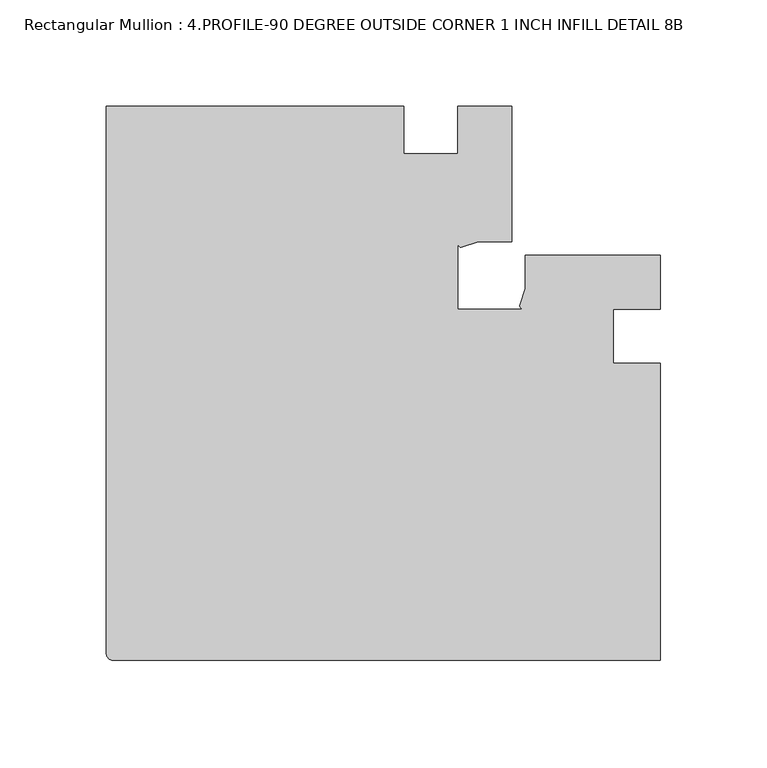
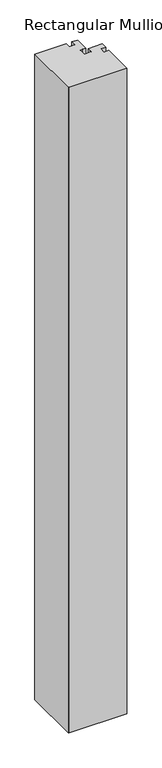
"""IFC4 building model written with IfcOpenShell, lengths in millimetres: member geometry, Rectangular Mullion : 4.PROFILE-90 DEGREE OUTSIDE CORNER 1 INCH INFILL DETAIL 8B."""

from ifc_helpers import new_model, si_unit, point, frame, frame_2d, origin, place, context, project, spatial, polyline, circle_curve, trimmed, segment, composite_curve, outline, extrude, source, transform, mapped, element, save


def rectangular_mullion_4_profile_90_degree_outside_corner_1_b0066def(model_context):
    return source(origin(), model_context, "Body", "SweptSolid", [
        extrude(outline(composite_curve([segment(trimmed(circle_curve(frame_2d((-257.175, -94.4101757)), 3.175), [point((-257.175, -97.5851757))], [point((-260.35, -94.4101757))], False, "CARTESIAN"), True, "CONTINUOUS"), segment(polyline([(-260.35, -94.4101757), (-260.35, 162.7648243), (-120.6499944, 162.7648243), (-120.6499944, 140.5399375), (-95.25, 140.5399375), (-95.25, 162.7648243), (-69.8499944, 162.7648243), (-69.8499944, 99.2648243), (-85.7248967, 99.2648243), (-93.6615652, 96.6139691)]), True, "CONTINUOUS"), segment(trimmed(circle_curve(frame_2d((-93.5485824, 98.313587)), 1.703369), [point((-93.6615652, 96.6139691))], [point((-95.25, 98.2320744))], False, "CARTESIAN"), True, "CONTINUOUS"), segment(polyline([(-95.25, 98.2320744), (-95.25, 67.5148243), (-64.5327509, 67.5148243)]), True, "CONTINUOUS"), segment(trimmed(circle_curve(frame_2d((-64.4512373, 69.2162419)), 1.703369), [point((-64.5327509, 67.5148243))], [point((-66.1508552, 69.1032591))], False, "CARTESIAN"), True, "CONTINUOUS"), segment(polyline([(-66.1508552, 69.1032591), (-63.5, 77.0399275), (-63.5, 92.9148299), (0.0, 92.9148299), (0.0, 67.5148243), (-22.2248868, 67.5148243), (-22.2248868, 42.1148299), (0.0, 42.1148299), (0.0, -97.5851757), (-257.175, -97.5851757)]), True, "CONTINUOUS")], self_intersect=False)), frame((0.0, 0.0, -3048.0), z_axis=(0.0, 0.0, 1.0), x_axis=(1.0, 0.0, 0.0)), (0.0, 0.0, 1.0), 3048.0),
    ])


if __name__ == "__main__":
    model = new_model("IFC4")
    model_context = context("Model", 3, world=origin())
    ifc_project = project(units=[si_unit("LENGTHUNIT", "METRE", prefix="MILLI")], contexts=[model_context])
    site = spatial("IfcSite", under=ifc_project)
    building = spatial("IfcBuilding", under=site)
    placement = place(None, origin())
    rectangular_mullion_4_profile_90_degree_outside_corner_1_shape = rectangular_mullion_4_profile_90_degree_outside_corner_1_b0066def(model_context)
    element("IfcMember", 1, ObjectType="Rectangular Mullion : 4.PROFILE-90 DEGREE OUTSIDE CORNER 1 INCH INFILL DETAIL 8B", at=placement, inside=building, context=model_context, shape_type="MappedRepresentation", body=[
        mapped(rectangular_mullion_4_profile_90_degree_outside_corner_1_shape, transform((0.0, 0.0, 0.0), x_axis=(1.0, 0.0, 0.0), y_axis=(0.0, 1.0, 0.0), z_axis=(0.0, 0.0, 1.0))),
    ])
    save(model, "model.ifc")
